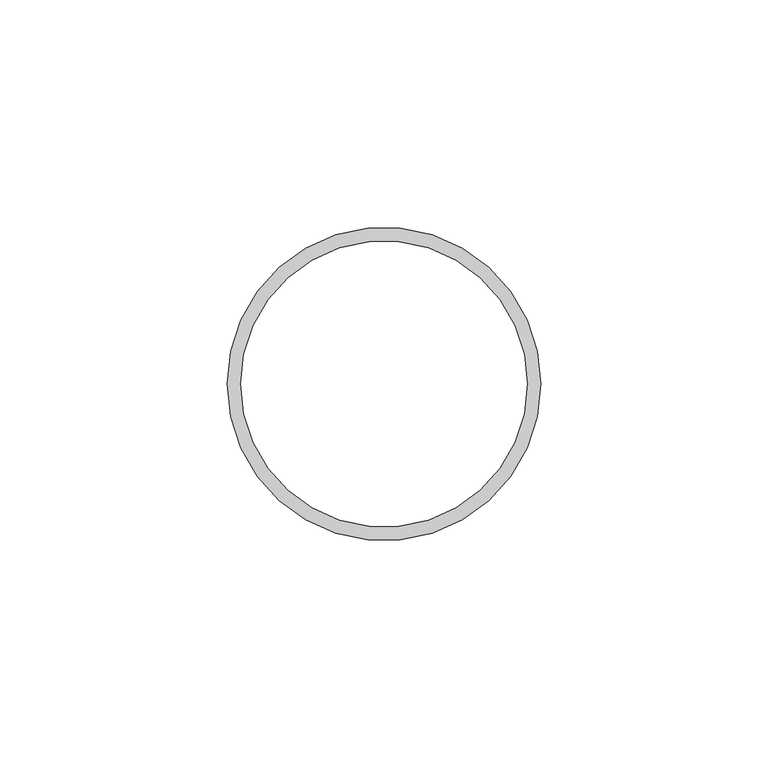
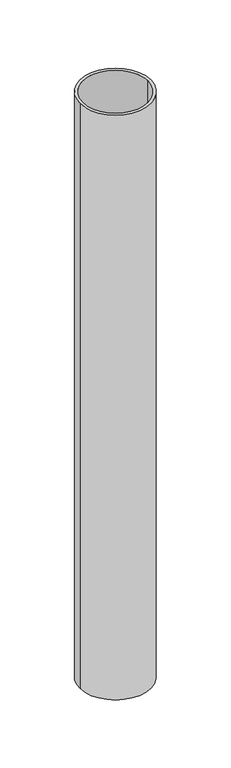
"""IFC4 building model written with IfcOpenShell, lengths in millimetres: beam geometry."""

from ifc_helpers import new_model, si_unit, point, frame, origin, origin_2d, place, context, project, spatial, circle_curve, trimmed, segment, composite_curve, outline, extrude, source, transform, mapped, element, save


def beam_a1d421b9(model_context):
    return source(origin(), model_context, "Body", "SweptSolid", [
        extrude(outline(composite_curve([segment(trimmed(circle_curve(origin_2d(), 34.5), [point((34.5, 0.0))], [point((-34.5, 0.0))], False, "CARTESIAN"), True, "CONTINUOUS"), segment(trimmed(circle_curve(origin_2d(), 34.5), [point((-34.5, 0.0))], [point((34.5, 0.0))], False, "CARTESIAN"), True, "CONTINUOUS")], self_intersect=False), holes=[composite_curve([segment(trimmed(circle_curve(origin_2d(), 31.5), [point((31.5, 0.0))], [point((-31.5, 0.0))], True, "CARTESIAN"), True, "CONTINUOUS"), segment(trimmed(circle_curve(origin_2d(), 31.5), [point((-31.5, 0.0))], [point((31.5, 0.0))], True, "CARTESIAN"), True, "CONTINUOUS")], self_intersect=False)]), frame((0.0, 0.0, -600.0), z_axis=(0.0, 0.0, 1.0), x_axis=(1.0, 0.0, 0.0)), (0.0, 0.0, 1.0), 600.0),
    ])


if __name__ == "__main__":
    model = new_model("IFC4")
    model_context = context("Model", 3, world=origin())
    ifc_project = project(units=[si_unit("LENGTHUNIT", "METRE", prefix="MILLI")], contexts=[model_context])
    site = spatial("IfcSite", under=ifc_project)
    building = spatial("IfcBuilding", under=site)
    placement = place(None, origin())
    beam_shape = beam_a1d421b9(model_context)
    element("IfcBeam", 1, at=placement, inside=building, context=model_context, shape_type="MappedRepresentation", body=[
        mapped(beam_shape, transform((0.0, 0.0, 0.0), x_axis=(1.0, 0.0, 0.0), y_axis=(0.0, 1.0, 0.0), z_axis=(0.0, 0.0, 1.0))),
    ])
    save(model, "model.ifc")
